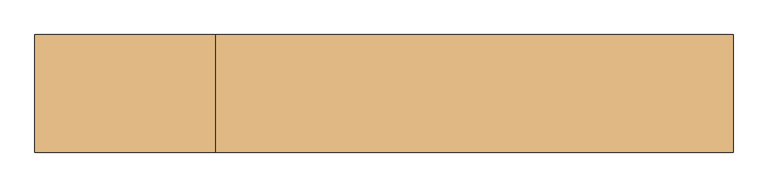
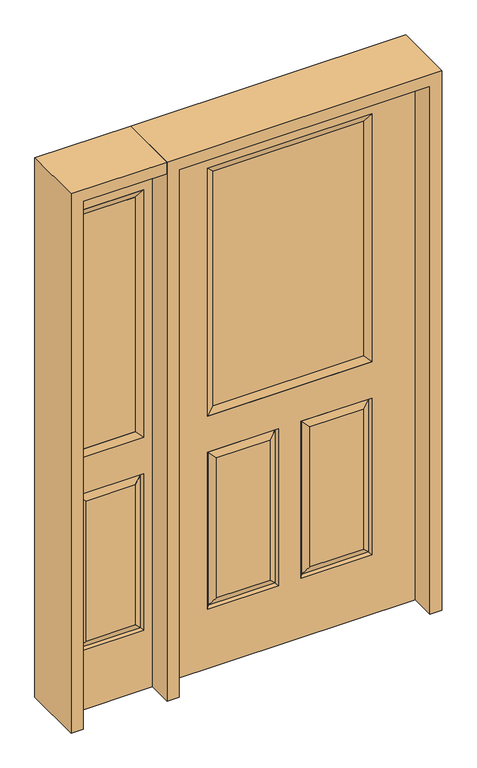
"""IFC4 building model written with IfcOpenShell, lengths in millimetres: door geometry."""

from ifc_helpers import new_model, si_unit, frame, origin, place, context, project, spatial, polyline, outline, extrude, faceted_brep, source, transform, mapped, element, save


def door_8ca8b9ca(model_context):
    return source(origin(), model_context, "Body", "SolidModel", [
        faceted_brep([(-457.2, -22.225, 0.0), (457.2, -22.225, 0.0), (457.2, -22.225, 2032.0), (-457.2, -22.225, 2032.0), (-299.339, -22.225, 971.55), (-299.339, -22.225, 1925.574), (299.339, -22.225, 1925.574), (299.339, -22.225, 971.55), (-299.339, -22.225, 831.85), (-41.275, -22.225, 831.85), (-41.275, -22.225, 228.6), (-299.339, -22.225, 228.6), (41.275, -22.225, 831.85), (299.339, -22.225, 831.85), (299.339, -22.225, 228.6), (41.275, -22.225, 228.6), (-73.025, -22.225, 800.1), (-267.589, -22.225, 800.1), (-267.589, -22.225, 260.35), (-73.025, -22.225, 260.35), (267.589, -22.225, 800.1), (73.025, -22.225, 800.1), (73.025, -22.225, 260.35), (267.589, -22.225, 260.35), (-457.2, 22.225, 0.0), (457.2, 22.225, 0.0), (457.2, 22.225, 2032.0), (-457.2, 22.225, 2032.0), (-299.339, 22.225, 971.55), (-299.339, 22.225, 1925.574), (299.339, 22.225, 1925.574), (299.339, 22.225, 971.55), (-41.275, 22.225, 831.85), (-299.339, 22.225, 831.85), (-299.339, 22.225, 228.6), (-41.275, 22.225, 228.6), (299.339, 22.225, 831.85), (41.275, 22.225, 831.85), (41.275, 22.225, 228.6), (299.339, 22.225, 228.6), (-267.589, 22.225, 800.1), (-73.025, 22.225, 800.1), (-73.025, 22.225, 260.35), (-267.589, 22.225, 260.35), (73.025, 22.225, 800.1), (267.589, 22.225, 800.1), (267.589, 22.225, 260.35), (73.025, 22.225, 260.35), (-48.41875, -12.7449236, 824.70625), (-292.19525, -12.7449236, 824.70625), (-292.19525, -12.7449236, 235.74375), (-48.41875, -12.7449236, 235.74375), (292.19525, -12.7449236, 824.70625), (48.41875, -12.7449236, 824.70625), (48.41875, -12.7449236, 235.74375), (292.19525, -12.7449236, 235.74375), (-292.19525, 12.7449236, 824.70625), (-48.41875, 12.7449236, 824.70625), (-48.41875, 12.7449236, 235.74375), (-292.19525, 12.7449236, 235.74375), (48.41875, 12.7449236, 824.70625), (292.19525, 12.7449236, 824.70625), (292.19525, 12.7449236, 235.74375), (48.41875, 12.7449236, 235.74375)], [[[0, 1, 2, 3], [4, 5, 6, 7], [8, 9, 10, 11], [12, 13, 14, 15]], [[16, 17, 18, 19]], [[20, 21, 22, 23]], [[1, 0, 24, 25]], [[2, 1, 25, 26]], [[0, 3, 27, 24]], [[5, 4, 28, 29]], [[7, 6, 30, 31]], [[4, 7, 31, 28]], [[24, 27, 26, 25], [28, 31, 30, 29], [32, 33, 34, 35], [36, 37, 38, 39]], [[40, 41, 42, 43]], [[44, 45, 46, 47]], [[3, 2, 26, 27]], [[6, 5, 29, 30]], [[16, 48, 49, 17]], [[17, 49, 50, 18]], [[51, 19, 18, 50]], [[48, 16, 19, 51]], [[49, 48, 9, 8]], [[9, 48, 51, 10]], [[10, 51, 50, 11]], [[49, 8, 11, 50]], [[52, 53, 21, 20]], [[21, 53, 54, 22]], [[22, 54, 55, 23]], [[52, 20, 23, 55]], [[53, 52, 13, 12]], [[13, 52, 55, 14]], [[54, 15, 14, 55]], [[53, 12, 15, 54]], [[56, 57, 41, 40]], [[41, 57, 58, 42]], [[42, 58, 59, 43]], [[56, 40, 43, 59]], [[57, 56, 33, 32]], [[33, 56, 59, 34]], [[58, 35, 34, 59]], [[57, 32, 35, 58]], [[44, 60, 61, 45]], [[45, 61, 62, 46]], [[63, 47, 46, 62]], [[60, 44, 47, 63]], [[61, 60, 37, 36]], [[37, 60, 63, 38]], [[38, 63, 62, 39]], [[61, 36, 39, 62]]]),
        extrude(outline(polyline([(273.939, -12.7), (-273.939, -12.7), (-273.939, 12.7), (273.939, 12.7), (273.939, -12.7)])), frame((0.0, 0.0, 996.95), z_axis=(0.0, 0.0, 1.0), x_axis=(1.0, 0.0, 0.0)), (0.0, 0.0, 1.0), 903.224),
        faceted_brep([(-299.339, -22.225, 1925.574), (-299.339, 22.225, 1925.574), (-299.339, 22.225, 971.55), (-299.339, -22.225, 971.55), (299.339, 22.225, 971.55), (299.339, -22.225, 971.55), (-273.939, 12.7, 996.95), (273.939, 12.7, 996.95), (299.339, 22.225, 1925.574), (299.339, -22.225, 1925.574), (-273.939, -12.7, 996.95), (273.939, -12.7, 996.95), (-273.939, -12.7, 1900.174), (273.939, -12.7, 1900.174), (-273.939, 12.7, 1900.174), (273.939, 12.7, 1900.174)], [[[0, 1, 2, 3]], [[3, 2, 4, 5]], [[2, 6, 7, 4]], [[5, 4, 8, 9]], [[10, 3, 5, 11]], [[12, 0, 3, 10]], [[11, 5, 9, 13]], [[6, 10, 11, 7]], [[14, 12, 10, 6]], [[7, 11, 13, 15]], [[1, 14, 6, 2]], [[4, 7, 15, 8]], [[9, 8, 1, 0]], [[13, 9, 0, 12]], [[15, 13, 12, 14]], [[8, 15, 14, 1]]]),
        faceted_brep([(-806.45, -22.225, 0.0), (-501.65, -22.225, 0.0), (-501.65, -22.225, 2032.0), (-806.45, -22.225, 2032.0), (-532.638, -22.225, 1925.574), (-532.638, -22.225, 971.55), (-775.462, -22.225, 971.55), (-775.462, -22.225, 1925.574), (-532.638, -22.225, 228.6), (-775.462, -22.225, 228.6), (-775.462, -22.225, 831.85), (-532.638, -22.225, 831.85), (-743.5559872, -22.225, 260.5060128), (-564.5440128, -22.225, 260.5060128), (-564.5440128, -22.225, 799.9439872), (-743.5559872, -22.225, 799.9439872), (-806.45, 22.225, 0.0), (-501.65, 22.225, 0.0), (-501.65, 22.225, 2032.0), (-806.45, 22.225, 2032.0), (-532.638, 22.225, 1925.574), (-532.638, 22.225, 971.55), (-775.462, 22.225, 971.55), (-775.462, 22.225, 1925.574), (-775.462, 22.225, 228.6), (-532.638, 22.225, 228.6), (-532.638, 22.225, 831.85), (-775.462, 22.225, 831.85), (-564.5440128, 22.225, 260.5060128), (-743.5559872, 22.225, 260.5060128), (-743.5559872, 22.225, 799.9439872), (-564.5440128, 22.225, 799.9439872), (-539.5580067, -13.0418409, 235.5200067), (-768.5419933, -13.0418409, 235.5200067), (-768.5419933, -13.0418409, 824.9299933), (-539.5580067, -13.0418409, 824.9299933), (-768.5419933, 13.0418409, 235.5200067), (-539.5580067, 13.0418409, 235.5200067), (-539.5580067, 13.0418409, 824.9299933), (-768.5419933, 13.0418409, 824.9299933)], [[[0, 1, 2, 3], [4, 5, 6, 7], [8, 9, 10, 11]], [[12, 13, 14, 15]], [[1, 0, 16, 17]], [[2, 1, 17, 18]], [[0, 3, 19, 16]], [[5, 4, 20, 21]], [[6, 5, 21, 22]], [[7, 6, 22, 23]], [[16, 19, 18, 17], [20, 23, 22, 21], [24, 25, 26, 27]], [[28, 29, 30, 31]], [[3, 2, 18, 19]], [[4, 7, 23, 20]], [[8, 32, 33, 9]], [[9, 33, 34, 10]], [[35, 11, 10, 34]], [[32, 8, 11, 35]], [[33, 32, 13, 12]], [[13, 32, 35, 14]], [[14, 35, 34, 15]], [[33, 12, 15, 34]], [[36, 37, 25, 24]], [[25, 37, 38, 26]], [[26, 38, 39, 27]], [[36, 24, 27, 39]], [[37, 36, 29, 28]], [[29, 36, 39, 30]], [[38, 31, 30, 39]], [[37, 28, 31, 38]]]),
        extrude(outline(polyline([(-558.038, -12.7), (-750.062, -12.7), (-750.062, 12.7), (-558.038, 12.7), (-558.038, -12.7)])), frame((0.0, 0.0, 996.95), z_axis=(0.0, 0.0, 1.0), x_axis=(1.0, 0.0, 0.0)), (0.0, 0.0, 1.0), 903.224),
        faceted_brep([(-775.462, -22.225, 1925.574), (-775.462, 22.225, 1925.574), (-775.462, 22.225, 971.55), (-775.462, -22.225, 971.55), (-532.638, 22.225, 971.55), (-532.638, -22.225, 971.55), (-750.062, 12.7, 996.95), (-558.038, 12.7, 996.95), (-532.638, 22.225, 1925.574), (-532.638, -22.225, 1925.574), (-750.062, -12.7, 996.95), (-558.038, -12.7, 996.95), (-750.062, -12.7, 1900.174), (-558.038, -12.7, 1900.174), (-750.062, 12.7, 1900.174), (-558.038, 12.7, 1900.174)], [[[0, 1, 2, 3]], [[3, 2, 4, 5]], [[2, 6, 7, 4]], [[5, 4, 8, 9]], [[10, 3, 5, 11]], [[12, 0, 3, 10]], [[11, 5, 9, 13]], [[6, 10, 11, 7]], [[14, 12, 10, 6]], [[7, 11, 13, 15]], [[1, 14, 6, 2]], [[4, 7, 15, 8]], [[9, 8, 1, 0]], [[13, 9, 0, 12]], [[15, 13, 12, 14]], [[8, 15, 14, 1]]]),
        extrude(outline(polyline([(2032.0, -501.65), (2076.45, -501.65), (2076.45, -850.9), (0.0, -850.9), (0.0, -806.45), (2032.0, -806.45), (2032.0, -501.65)])), frame((0.0, -114.3, 0.0), z_axis=(0.0, 1.0, 0.0), x_axis=(0.0, 0.0, 1.0)), (0.0, 0.0, 1.0), 228.6),
        extrude(outline(polyline([(0.0, -501.65), (0.0, -457.2), (2032.0, -457.2), (2032.0, 457.2), (0.0, 457.2), (0.0, 501.65), (2076.45, 501.65), (2076.45, -501.65), (0.0, -501.65)])), frame((0.0, -114.3, 0.0), z_axis=(0.0, 1.0, 0.0), x_axis=(0.0, 0.0, 1.0)), (0.0, 0.0, 1.0), 228.6),
    ])


if __name__ == "__main__":
    model = new_model("IFC4")
    model_context = context("Model", 3, world=origin())
    ifc_project = project(units=[si_unit("LENGTHUNIT", "METRE", prefix="MILLI")], contexts=[model_context])
    site = spatial("IfcSite", under=ifc_project)
    building = spatial("IfcBuilding", under=site)
    placement = place(None, origin())
    door_shape = door_8ca8b9ca(model_context)
    element("IfcDoor", 1, at=placement, inside=building, context=model_context, shape_type="MappedRepresentation", body=[
        mapped(door_shape, transform((0.0, 0.0, 0.0), x_axis=(1.0, 0.0, 0.0), y_axis=(0.0, 1.0, 0.0), z_axis=(0.0, 0.0, 1.0))),
    ])
    save(model, "model.ifc")
